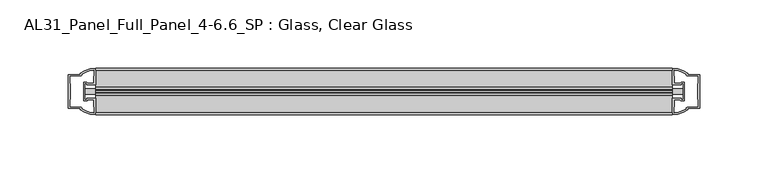
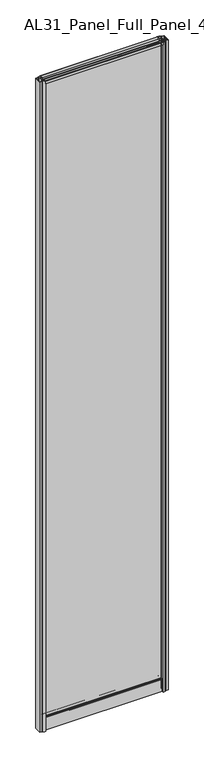
"""IFC4 building model written with IfcOpenShell, lengths in millimetres: plate geometry, AL31_Panel_Full_Panel_4-6.6_SP : Glass, Clear Glass."""

from ifc_helpers import new_model, si_unit, point, frame, frame_2d, origin, origin_with_axes, place, context, project, spatial, polyline, circle_curve, trimmed, segment, composite_curve, outline, extrude, source, transform, mapped, element, save


def al31_panel_full_panel_4_6_6_sp_glass_clear_glass_753cc217(model_context):
    return source(origin(), model_context, "Body", "SweptSolid", [
        extrude(outline(composite_curve([segment(polyline([(-1.4, 2468.8980762), (-0.85, 2467.9454483)]), True, "CONTINUOUS"), segment(trimmed(circle_curve(frame_2d((0.1, 2466.3)), 1.9), [point((-0.85, 2467.9454483))], [point((1.05, 2467.9454483))], True, "CARTESIAN"), True, "CONTINUOUS"), segment(polyline([(1.05, 2467.9454483), (1.6, 2468.8980762)]), True, "CONTINUOUS"), segment(trimmed(circle_curve(frame_2d((0.1, 2466.3)), 3.0), [point((1.6, 2468.8980762))], [point((2.5718414, 2464.6))], False, "CARTESIAN"), True, "CONTINUOUS"), segment(polyline([(2.5718414, 2464.6), (15.7, 2464.6), (15.7, 2474.0), (17.0, 2474.0), (17.0, 2463.5), (6.7024688, 2463.5), (6.7024688, 2462.7), (6.1968782, 2460.7785039), (6.1968782, 2456.1), (5.0, 2456.1), (5.0, 2461.4339746), (5.5, 2462.3), (5.5, 2463.5), (-5.5, 2463.5), (-5.5, 2462.3), (-5.0, 2461.4339746), (-5.0, 2456.1), (-6.1968782, 2456.1), (-6.1968782, 2460.7785039), (-6.7024688, 2462.7), (-6.7024688, 2463.5), (-17.0, 2463.5), (-17.0, 2474.0), (-15.7, 2474.0), (-15.7, 2464.6), (-2.3718414, 2464.6)]), True, "CONTINUOUS"), segment(trimmed(circle_curve(frame_2d((0.1, 2466.3)), 3.0), [point((-2.3718414, 2464.6))], [point((-1.4, 2468.8980762))], False, "CARTESIAN"), True, "CONTINUOUS")], self_intersect=False)), frame((-211.0810043, 0.0, 0.0), z_axis=(1.0, 0.0, 0.0), x_axis=(0.0, 1.0, 0.0)), (0.0, 0.0, 1.0), 422.1620087),
        extrude(outline(composite_curve([segment(polyline([(-218.9224257, -5.9), (-217.7224257, -5.9), (-217.7224257, -5.0), (-211.0810043, -5.0), (-211.0810043, -17.0001453)]), True, "CONTINUOUS"), segment(trimmed(circle_curve(frame_2d((-210.7163527, 2.9965302)), 20.0), [point((-211.0810043, -17.0001453))], [point((-222.4368396, -13.2093388))], False, "CARTESIAN"), True, "CONTINUOUS"), segment(polyline([(-222.4368396, -13.2093388), (-222.4368396, -12.3279343), (-231.0810043, -12.3279343), (-231.0810043, 12.3720657), (-222.4368396, 12.3720657), (-222.4368396, 13.2095249)]), True, "CONTINUOUS"), segment(trimmed(circle_curve(frame_2d((-210.7163527, -2.9963441)), 20.0), [point((-222.4368396, 13.2095249))], [point((-211.0810043, 17.0003314))], False, "CARTESIAN"), True, "CONTINUOUS"), segment(polyline([(-211.0810043, 17.0003314), (-211.0810043, 5.0), (-217.7224257, 5.0), (-217.7224257, 5.9), (-218.9224257, 5.9), (-218.9224257, -5.9)]), True, "CONTINUOUS")], self_intersect=False), holes=[composite_curve([segment(trimmed(circle_curve(frame_2d((-217.9224257, 5.7)), 1.5), [point((-217.9224257, 7.2))], [point((-216.5671714, 6.3428731))], False, "CARTESIAN"), True, "CONTINUOUS"), segment(polyline([(-216.5671714, 6.3428731), (-212.8224257, 6.3428731), (-212.8224257, 10.939223), (-212.3830859, 11.9998832), (-212.3830859, 15.6499817)]), True, "CONTINUOUS"), segment(trimmed(circle_curve(frame_2d((-210.7163527, -2.9755921)), 18.7), [point((-212.3830859, 15.6499817))], [point((-220.7231305, 12.8216987))], True, "CARTESIAN"), True, "CONTINUOUS"), segment(trimmed(circle_curve(frame_2d((-222.5224257, 12.8720657)), 1.8), [point((-220.7231305, 12.8216987))], [point((-222.5224257, 11.0720657))], False, "CARTESIAN"), True, "CONTINUOUS"), segment(polyline([(-222.5224257, 11.0720657), (-229.663847, 11.0720657), (-229.663847, 6.5019606), (-229.2224257, 5.439223), (-229.2224257, -5.3950916), (-229.7224257, -6.3879987), (-229.7224257, -11.0279343), (-222.5224257, -11.0279343)]), True, "CONTINUOUS"), segment(trimmed(circle_curve(frame_2d((-222.5224257, -12.8279343)), 1.8), [point((-222.5224257, -11.0279343))], [point((-220.7231305, -12.7775673))], False, "CARTESIAN"), True, "CONTINUOUS"), segment(trimmed(circle_curve(frame_2d((-210.7163527, 3.0197235)), 18.7), [point((-220.7231305, -12.7775673))], [point((-212.3830859, -15.6058503))], True, "CARTESIAN"), True, "CONTINUOUS"), segment(polyline([(-212.3830859, -15.6058503), (-212.3830859, -11.9557518), (-212.8224257, -10.8950916), (-212.8224257, -6.2991308), (-216.547274, -6.2991308)]), True, "CONTINUOUS"), segment(trimmed(circle_curve(frame_2d((-217.9224257, -5.7)), 1.5), [point((-216.547274, -6.2991308))], [point((-217.9224257, -7.2))], False, "CARTESIAN"), True, "CONTINUOUS"), segment(polyline([(-217.9224257, -7.2), (-220.2224257, -7.2), (-220.2224257, 7.2), (-217.9224257, 7.2)]), True, "CONTINUOUS")], self_intersect=False)]), origin_with_axes(), (0.0, 0.0, 1.0), 2474.0),
        extrude(outline(composite_curve([segment(polyline([(218.9224257, 5.9), (217.7224257, 5.9), (217.7224257, 5.0), (211.0810043, 5.0), (211.0810043, 17.0001453)]), True, "CONTINUOUS"), segment(trimmed(circle_curve(frame_2d((210.7163527, -2.9965302)), 20.0), [point((211.0810043, 17.0001453))], [point((222.4368396, 13.2093388))], False, "CARTESIAN"), True, "CONTINUOUS"), segment(polyline([(222.4368396, 13.2093388), (222.4368396, 12.3279343), (231.0810043, 12.3279343), (231.0810043, -12.3720657), (222.4368396, -12.3720657), (222.4368396, -13.2095249)]), True, "CONTINUOUS"), segment(trimmed(circle_curve(frame_2d((210.7163527, 2.9963441)), 20.0), [point((222.4368396, -13.2095249))], [point((211.0810043, -17.0003314))], False, "CARTESIAN"), True, "CONTINUOUS"), segment(polyline([(211.0810043, -17.0003314), (211.0810043, -5.0), (217.7224257, -5.0), (217.7224257, -5.9), (218.9224257, -5.9), (218.9224257, 5.9)]), True, "CONTINUOUS")], self_intersect=False), holes=[composite_curve([segment(trimmed(circle_curve(frame_2d((217.9224257, -5.7)), 1.5), [point((217.9224257, -7.2))], [point((216.5671714, -6.3428731))], False, "CARTESIAN"), True, "CONTINUOUS"), segment(polyline([(216.5671714, -6.3428731), (212.8224257, -6.3428731), (212.8224257, -10.939223), (212.3830859, -11.9998832), (212.3830859, -15.6499817)]), True, "CONTINUOUS"), segment(trimmed(circle_curve(frame_2d((210.7163527, 2.9755921)), 18.7), [point((212.3830859, -15.6499817))], [point((220.7231305, -12.8216987))], True, "CARTESIAN"), True, "CONTINUOUS"), segment(trimmed(circle_curve(frame_2d((222.5224257, -12.8720657)), 1.8), [point((220.7231305, -12.8216987))], [point((222.5224257, -11.0720657))], False, "CARTESIAN"), True, "CONTINUOUS"), segment(polyline([(222.5224257, -11.0720657), (229.663847, -11.0720657), (229.663847, -6.5019606), (229.2224257, -5.439223), (229.2224257, 5.3950916), (229.7224257, 6.3879987), (229.7224257, 11.0279343), (222.5224257, 11.0279343)]), True, "CONTINUOUS"), segment(trimmed(circle_curve(frame_2d((222.5224257, 12.8279343)), 1.8), [point((222.5224257, 11.0279343))], [point((220.7231305, 12.7775673))], False, "CARTESIAN"), True, "CONTINUOUS"), segment(trimmed(circle_curve(frame_2d((210.7163527, -3.0197235)), 18.7), [point((220.7231305, 12.7775673))], [point((212.3830859, 15.6058503))], True, "CARTESIAN"), True, "CONTINUOUS"), segment(polyline([(212.3830859, 15.6058503), (212.3830859, 11.9557518), (212.8224257, 10.8950916), (212.8224257, 6.2991308), (216.547274, 6.2991308)]), True, "CONTINUOUS"), segment(trimmed(circle_curve(frame_2d((217.9224257, 5.7)), 1.5), [point((216.547274, 6.2991308))], [point((217.9224257, 7.2))], False, "CARTESIAN"), True, "CONTINUOUS"), segment(polyline([(217.9224257, 7.2), (220.2224257, 7.2), (220.2224257, -7.2), (217.9224257, -7.2)]), True, "CONTINUOUS")], self_intersect=False)]), origin_with_axes(), (0.0, 0.0, 1.0), 2474.0),
        extrude(outline(composite_curve([segment(trimmed(circle_curve(frame_2d((-8.4, 34.8)), 1.0), [point((-8.4, 35.8))], [point((-9.4, 34.8))], True, "CARTESIAN"), True, "CONTINUOUS"), segment(polyline([(-9.4, 34.8), (-9.4, 33.5), (-5.0000303, 33.5), (-5.0000303, 32.3), (-9.4, 32.3), (-9.4, 0.0), (-10.6, 0.0), (-10.6, 47.3)]), True, "CONTINUOUS"), segment(trimmed(circle_curve(frame_2d((-8.6, 47.3)), 2.0), [point((-10.6, 47.3))], [point((-8.6, 49.3))], False, "CARTESIAN"), True, "CONTINUOUS"), segment(polyline([(-8.6, 49.3), (-5.0, 49.3), (-5.0, 41.9), (5.0, 41.9), (5.0, 49.3), (8.6, 49.3)]), True, "CONTINUOUS"), segment(trimmed(circle_curve(frame_2d((8.6, 47.3)), 2.0), [point((8.6, 49.3))], [point((10.6, 47.3))], False, "CARTESIAN"), True, "CONTINUOUS"), segment(polyline([(10.6, 47.3), (10.6, 0.0), (9.4, 0.0), (9.4, 32.3), (4.9999697, 32.3), (4.9999697, 33.5), (9.4, 33.5), (9.4, 34.8)]), True, "CONTINUOUS"), segment(trimmed(circle_curve(frame_2d((8.4, 34.8)), 1.0), [point((9.4, 34.8))], [point((8.4, 35.8))], True, "CARTESIAN"), True, "CONTINUOUS"), segment(polyline([(8.4, 35.8), (-8.4, 35.8)]), True, "CONTINUOUS")], self_intersect=False), holes=[composite_curve([segment(trimmed(circle_curve(frame_2d((5.5024688, 41.8)), 1.0), [point((6.5024688, 41.8))], [point((5.5024688, 40.8))], False, "CARTESIAN"), True, "CONTINUOUS"), segment(polyline([(5.5024688, 40.8), (2.8008965, 40.8), (2.8008965, 39.7274194), (1.8370508, 39.7274194)]), True, "CONTINUOUS"), segment(trimmed(circle_curve(frame_2d((0.0, 38.7)), 2.1048387), [point((1.8370508, 39.7274194))], [point((-1.8370508, 39.7274194))], True, "CARTESIAN"), True, "CONTINUOUS"), segment(polyline([(-1.8370508, 39.7274194), (-2.8008965, 39.7274194), (-2.8008965, 40.8), (-5.5024688, 40.8)]), True, "CONTINUOUS"), segment(trimmed(circle_curve(frame_2d((-5.5024688, 41.8)), 1.0), [point((-5.5024688, 40.8))], [point((-6.5024688, 41.8))], False, "CARTESIAN"), True, "CONTINUOUS"), segment(polyline([(-6.5024688, 41.8), (-6.5024688, 42.7)]), True, "CONTINUOUS"), segment(trimmed(circle_curve(frame_2d((-5.3024688, 42.7)), 1.2), [point((-6.5024688, 42.7))], [point((-6.1198184, 43.5786009))], False, "CARTESIAN"), True, "CONTINUOUS"), segment(polyline([(-6.1198184, 43.5786009), (-6.1198184, 48.2), (-8.4, 48.2)]), True, "CONTINUOUS"), segment(trimmed(circle_curve(frame_2d((-8.4, 47.2)), 1.0), [point((-8.4, 48.2))], [point((-9.4, 47.2))], True, "CARTESIAN"), True, "CONTINUOUS"), segment(polyline([(-9.4, 47.2), (-9.4, 37.04), (-2.8008965, 37.04), (-2.8008965, 38.0725806), (-1.8370508, 38.0725806)]), True, "CONTINUOUS"), segment(trimmed(circle_curve(frame_2d((0.0, 39.1)), 2.1048387), [point((-1.8370508, 38.0725806))], [point((1.8370508, 38.0725806))], True, "CARTESIAN"), True, "CONTINUOUS"), segment(polyline([(1.8370508, 38.0725806), (2.8008965, 38.0725806), (2.8008965, 37.04), (9.4, 37.04), (9.4, 47.2)]), True, "CONTINUOUS"), segment(trimmed(circle_curve(frame_2d((8.4, 47.2)), 1.0), [point((9.4, 47.2))], [point((8.4, 48.2))], True, "CARTESIAN"), True, "CONTINUOUS"), segment(polyline([(8.4, 48.2), (6.1198184, 48.2), (6.1198184, 43.7786009)]), True, "CONTINUOUS"), segment(trimmed(circle_curve(frame_2d((5.3024688, 42.9)), 1.2), [point((6.1198184, 43.7786009))], [point((6.5024688, 42.9))], False, "CARTESIAN"), True, "CONTINUOUS"), segment(polyline([(6.5024688, 42.9), (6.5024688, 41.8)]), True, "CONTINUOUS")], self_intersect=False)]), frame((-211.0810043, 0.0, 0.0), z_axis=(1.0, 0.0, 0.0), x_axis=(0.0, 1.0, 0.0)), (0.0, 0.0, 1.0), 422.1620087),
        extrude(outline(polyline([(218.9224257, 2.0), (218.9224257, -2.0), (-218.9224257, -2.0), (-218.9224257, 2.0), (218.9224257, 2.0)])), frame((0.0, 0.0, 41.9), z_axis=(0.0, 0.0, 1.0), x_axis=(1.0, 0.0, 0.0)), (0.0, 0.0, 1.0), 2421.6),
    ])


if __name__ == "__main__":
    model = new_model("IFC4")
    model_context = context("Model", 3, world=origin())
    ifc_project = project(units=[si_unit("LENGTHUNIT", "METRE", prefix="MILLI")], contexts=[model_context])
    site = spatial("IfcSite", under=ifc_project)
    building = spatial("IfcBuilding", under=site)
    placement = place(None, origin())
    al31_panel_full_panel_4_6_6_sp_glass_clear_glass_shape = al31_panel_full_panel_4_6_6_sp_glass_clear_glass_753cc217(model_context)
    element("IfcPlate", 1, ObjectType="AL31_Panel_Full_Panel_4-6.6_SP : Glass, Clear Glass", at=placement, inside=building, context=model_context, shape_type="MappedRepresentation", body=[
        mapped(al31_panel_full_panel_4_6_6_sp_glass_clear_glass_shape, transform((0.0, 0.0, 0.0), x_axis=(1.0, 0.0, 0.0), y_axis=(0.0, 1.0, 0.0), z_axis=(0.0, 0.0, 1.0))),
    ])
    save(model, "model.ifc")
